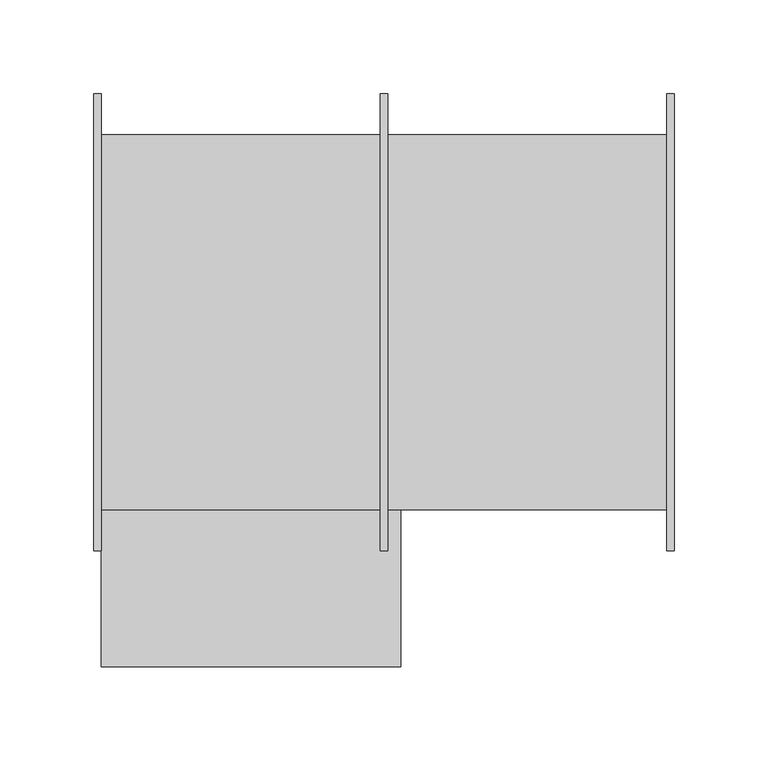
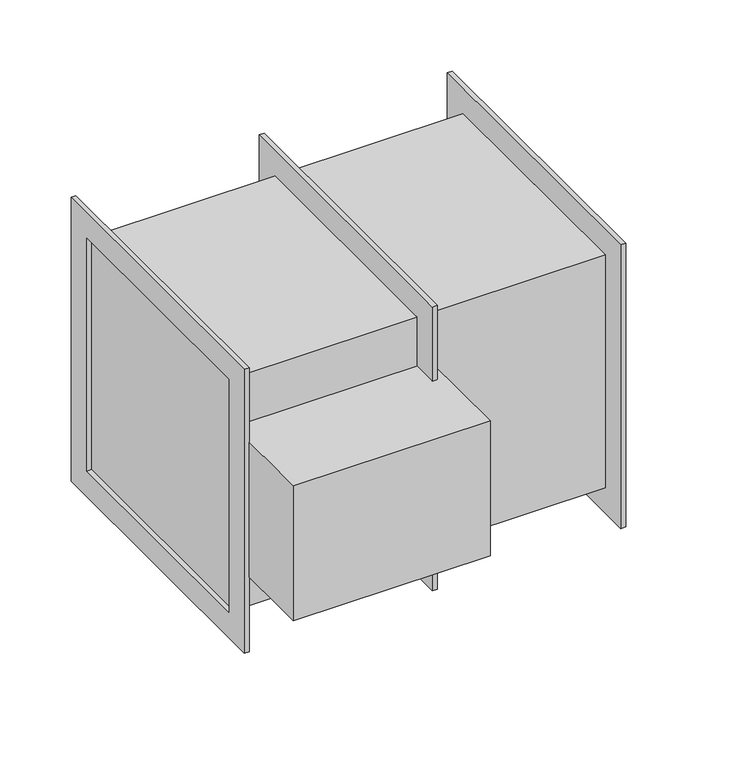
"""IFC4 building model written with IfcOpenShell, lengths in millimetres: proxy geometry."""

from ifc_helpers import new_model, si_unit, frame, origin, place, context, project, spatial, polyline, outline, extrude, source, transform, mapped, element, save


def generic_models_4bcf73a3(model_context):
    return source(origin(), model_context, "Body", "SweptSolid", [
        extrude(outline(polyline([(24104.9900709, -69340.0352293), (23944.9900709, -69340.0352293), (23944.9900709, -69256.0352293), (24104.9900709, -69256.0352293), (24104.9900709, -69340.0352293)])), frame((0.0, 0.0, 10942.0), z_axis=(0.0, 0.0, 1.0), x_axis=(1.0, 0.0, 0.0)), (0.0, 0.0, 1.0), 116.0),
        extrude(outline(polyline([(24246.9900709, -69056.0352293), (24246.9900709, -69256.0352293), (23944.9900709, -69256.0352293), (23944.9900709, -69056.0352293), (24246.9900709, -69056.0352293)])), frame((0.0, 0.0, 10900.0), z_axis=(0.0, 0.0, 1.0), x_axis=(1.0, 0.0, 0.0)), (0.0, 0.0, 1.0), 200.0),
        extrude(outline(polyline([(-69278.0352293, 10878.0), (-69278.0352293, 11122.0), (-69034.0352293, 11122.0), (-69034.0352293, 10878.0), (-69278.0352293, 10878.0)]), holes=[polyline([(-69056.0352293, 11100.0), (-69256.0352293, 11100.0), (-69256.0352293, 10900.0), (-69056.0352293, 10900.0), (-69056.0352293, 11100.0)])]), frame((24093.9900709, 0.0, 0.0), z_axis=(1.0, 0.0, 0.0), x_axis=(0.0, 1.0, 0.0)), (0.0, 0.0, 1.0), 4.0),
        extrude(outline(polyline([(-69278.0352293, 10878.0), (-69278.0352293, 11122.0), (-69034.0352293, 11122.0), (-69034.0352293, 10878.0), (-69278.0352293, 10878.0)]), holes=[polyline([(-69056.0352293, 11100.0), (-69256.0352293, 11100.0), (-69256.0352293, 10900.0), (-69056.0352293, 10900.0), (-69056.0352293, 11100.0)])]), frame((24246.9900709, 0.0, 0.0), z_axis=(1.0, 0.0, 0.0), x_axis=(0.0, 1.0, 0.0)), (0.0, 0.0, 1.0), 4.0),
        extrude(outline(polyline([(-69278.0352293, 11122.0), (-69034.0352293, 11122.0), (-69034.0352293, 10878.0), (-69278.0352293, 10878.0), (-69278.0352293, 11122.0)]), holes=[polyline([(-69056.0352293, 10900.0), (-69056.0352293, 11100.0), (-69256.0352293, 11100.0), (-69256.0352293, 10900.0), (-69056.0352293, 10900.0)])]), frame((23940.9900709, 0.0, 0.0), z_axis=(1.0, 0.0, 0.0), x_axis=(0.0, 1.0, 0.0)), (0.0, 0.0, 1.0), 4.0),
    ])


if __name__ == "__main__":
    model = new_model("IFC4")
    model_context = context("Model", 3, world=origin())
    ifc_project = project(units=[si_unit("LENGTHUNIT", "METRE", prefix="MILLI")], contexts=[model_context])
    site = spatial("IfcSite", under=ifc_project)
    building = spatial("IfcBuilding", under=site)
    placement = place(None, origin())
    generic_models_shape = generic_models_4bcf73a3(model_context)
    element("IfcBuildingElementProxy", 1, Name="Generic Models", at=placement, inside=building, context=model_context, shape_type="MappedRepresentation", body=[
        mapped(generic_models_shape, transform((0.0, 0.0, 0.0), x_axis=(1.0, 0.0, 0.0), y_axis=(0.0, 1.0, 0.0), z_axis=(0.0, 0.0, 1.0))),
    ])
    save(model, "model.ifc")
